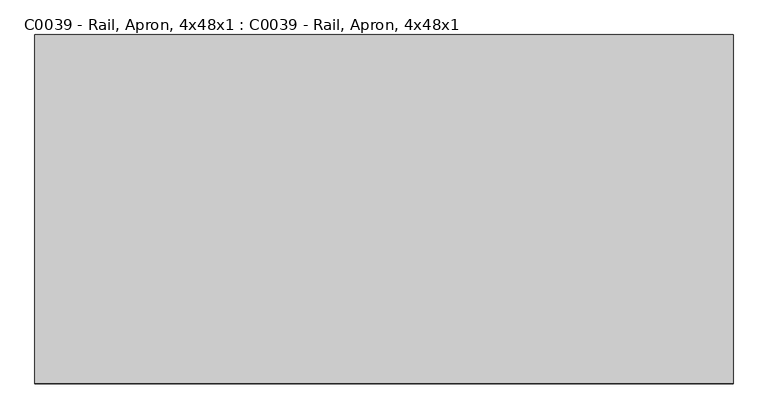
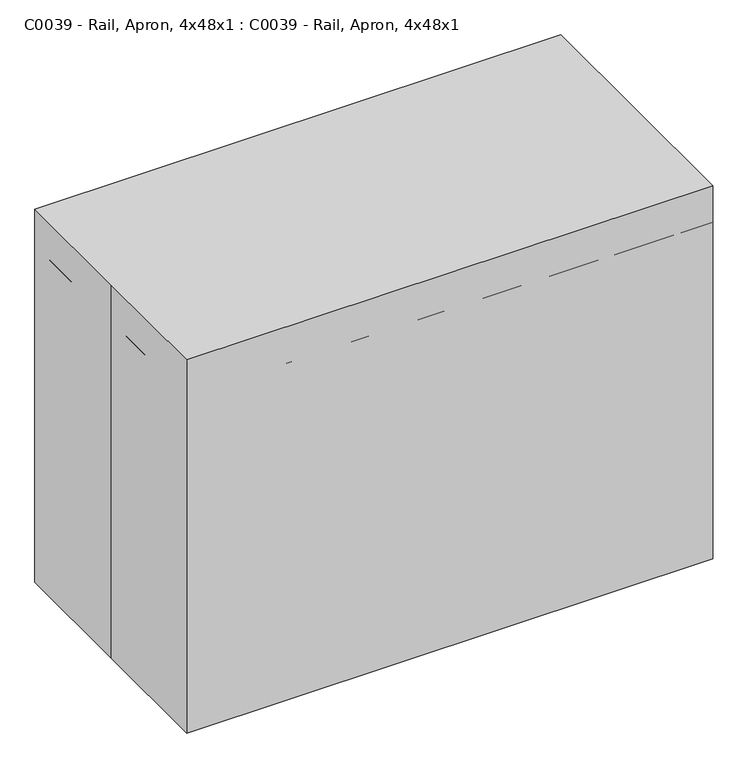
"""IFC4 building model written with IfcOpenShell, lengths in millimetres: proxy geometry, C0039 - Rail, Apron, 4x48x1 : C0039 - Rail, Apron, 4x48x1."""

from ifc_helpers import new_model, si_unit, frame, origin, origin_with_axes, place, context, project, spatial, polyline, outline, extrude, source, transform, mapped, element, save


def c0039_rail_apron_4x48x1_c0039_rail_apron_4x48x1_c482e8d8(model_context):
    return source(origin(), model_context, "Body", "SweptSolid", [
        extrude(outline(polyline([(-609.6, 304.8), (609.6, 304.8), (609.6, -304.8), (-609.6, -304.8), (-609.6, 0.0), (-609.6, 304.8)])), origin_with_axes(), (0.0, 0.0, 1.0), 914.4),
        extrude(outline(polyline([(590.55, -285.75), (590.55, 304.8), (609.6, 304.8), (609.6, -285.75), (590.55, -285.75)])), frame((0.0, 0.0, 673.0674767), z_axis=(0.0, 0.0, 1.0), x_axis=(1.0, 0.0, 0.0)), (0.0, 0.0, 1.0), 152.4),
        extrude(outline(polyline([(-609.6, -285.75), (-609.6, 304.8), (-590.55, 304.8), (-590.55, -285.75), (-609.6, -285.75)])), frame((0.0, 0.0, 673.0674767), z_axis=(0.0, 0.0, 1.0), x_axis=(1.0, 0.0, 0.0)), (0.0, 0.0, 1.0), 152.4),
        extrude(outline(polyline([(609.6, -304.8), (-609.6, -304.8), (-609.6, -285.75), (609.6, -285.75), (609.6, -304.8)])), frame((0.0, 0.0, 673.0674767), z_axis=(0.0, 0.0, 1.0), x_axis=(1.0, 0.0, 0.0)), (0.0, 0.0, 1.0), 152.4),
        extrude(outline(polyline([(590.55, 285.75), (-590.55, 285.75), (-590.55, 304.8), (590.55, 304.8), (590.55, 285.75)])), frame((0.0, 0.0, 673.0674767), z_axis=(0.0, 0.0, 1.0), x_axis=(1.0, 0.0, 0.0)), (0.0, 0.0, 1.0), 152.4),
    ])


if __name__ == "__main__":
    model = new_model("IFC4")
    model_context = context("Model", 3, world=origin())
    ifc_project = project(units=[si_unit("LENGTHUNIT", "METRE", prefix="MILLI")], contexts=[model_context])
    site = spatial("IfcSite", under=ifc_project)
    building = spatial("IfcBuilding", under=site)
    placement = place(None, origin())
    c0039_rail_apron_4x48x1_c0039_rail_apron_4x48x1_shape = c0039_rail_apron_4x48x1_c0039_rail_apron_4x48x1_c482e8d8(model_context)
    element("IfcBuildingElementProxy", 1, Name="C0039 - Rail, Apron, 4x48x1 : C0039 - Rail, Apron, 4x48x1", ObjectType="C0039 - Rail, Apron, 4x48x1 : C0039 - Rail, Apron, 4x48x1", at=placement, inside=building, context=model_context, shape_type="MappedRepresentation", body=[
        mapped(c0039_rail_apron_4x48x1_c0039_rail_apron_4x48x1_shape, transform((0.0, 0.0, 0.0), x_axis=(1.0, 0.0, 0.0), y_axis=(0.0, 1.0, 0.0), z_axis=(0.0, 0.0, 1.0))),
    ])
    save(model, "model.ifc")
